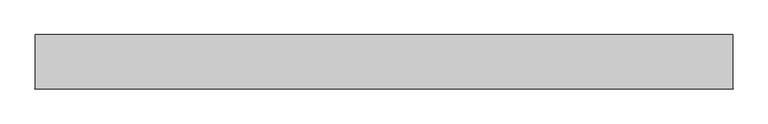
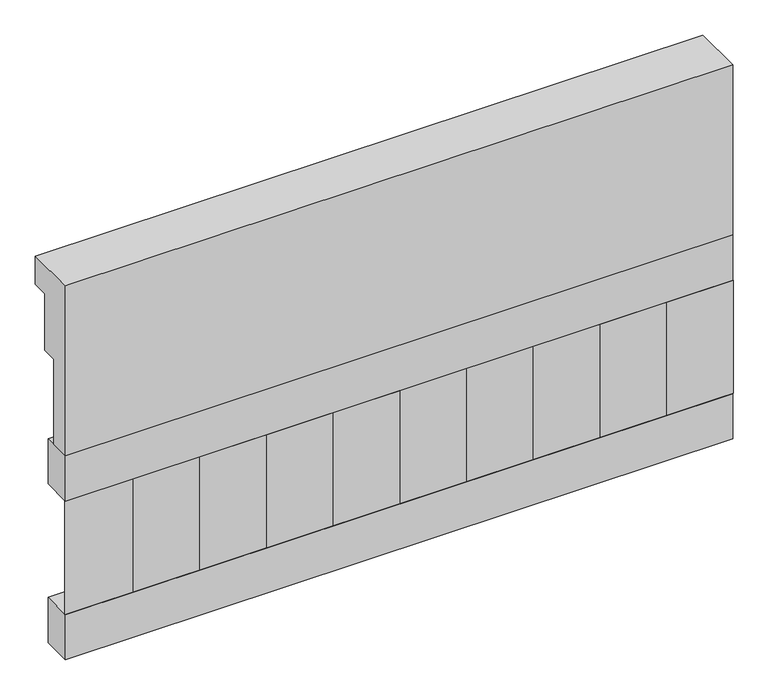
"""IFC4 building model written with IfcOpenShell, lengths in millimetres: railing geometry."""

from ifc_helpers import new_model, si_unit, frame, origin, place, context, project, spatial, polyline, outline, extrude, source, transform, mapped, element, save


def railing_92edbb9a(model_context):
    return source(origin(), model_context, "Body", "SweptSolid", [
        extrude(outline(polyline([(903.1079487, 15200.0), (1033.1079487, 15200.0), (1033.1079487, 15125.0), (993.1079487, 15125.0), (993.1079487, 14975.0), (953.1079487, 14975.0), (953.1079487, 14750.0), (903.1079487, 14750.0), (903.1079487, 15200.0)])), frame((-40039.9887159, 0.0, 0.0), z_axis=(1.0, 0.0, 0.0), x_axis=(0.0, 1.0, 0.0)), (0.0, 0.0, 1.0), 1670.0),
        extrude(outline(polyline([(-38369.9887159, 978.1079487), (-38369.9887159, 903.1079487), (-40039.9887159, 903.1079487), (-40039.9887159, 978.1079487), (-38369.9887159, 978.1079487)])), frame((0.0, 0.0, 14630.0), z_axis=(0.0, 0.0, 1.0), x_axis=(1.0, 0.0, 0.0)), (0.0, 0.0, 1.0), 120.0),
        extrude(outline(polyline([(-38369.9887159, 978.1079487), (-38369.9887159, 903.1079487), (-40039.9887159, 903.1079487), (-40039.9887159, 978.1079487), (-38369.9887159, 978.1079487)])), frame((0.0, 0.0, 14210.0), z_axis=(0.0, 0.0, 1.0), x_axis=(1.0, 0.0, 0.0)), (0.0, 0.0, 1.0), 120.0),
        extrude(outline(polyline([(-39956.4887159, 987.9607624), (-39871.6359022, 903.1079487), (-40041.3415296, 903.1079487), (-39956.4887159, 987.9607624)])), frame((0.0, 0.0, 14330.0), z_axis=(0.0, 0.0, 1.0), x_axis=(1.0, 0.0, 0.0)), (0.0, 0.0, 1.0), 300.0),
        extrude(outline(polyline([(-39789.4887159, 987.9607624), (-39704.6359022, 903.1079487), (-39874.3415296, 903.1079487), (-39789.4887159, 987.9607624)])), frame((0.0, 0.0, 14330.0), z_axis=(0.0, 0.0, 1.0), x_axis=(1.0, 0.0, 0.0)), (0.0, 0.0, 1.0), 300.0),
        extrude(outline(polyline([(-39622.4887159, 987.9607624), (-39537.6359022, 903.1079487), (-39707.3415296, 903.1079487), (-39622.4887159, 987.9607624)])), frame((0.0, 0.0, 14330.0), z_axis=(0.0, 0.0, 1.0), x_axis=(1.0, 0.0, 0.0)), (0.0, 0.0, 1.0), 300.0),
        extrude(outline(polyline([(-39455.4887159, 987.9607624), (-39370.6359022, 903.1079487), (-39540.3415296, 903.1079487), (-39455.4887159, 987.9607624)])), frame((0.0, 0.0, 14330.0), z_axis=(0.0, 0.0, 1.0), x_axis=(1.0, 0.0, 0.0)), (0.0, 0.0, 1.0), 300.0),
        extrude(outline(polyline([(-39288.4887159, 987.9607624), (-39203.6359022, 903.1079487), (-39373.3415296, 903.1079487), (-39288.4887159, 987.9607624)])), frame((0.0, 0.0, 14330.0), z_axis=(0.0, 0.0, 1.0), x_axis=(1.0, 0.0, 0.0)), (0.0, 0.0, 1.0), 300.0),
        extrude(outline(polyline([(-39121.4887159, 987.9607624), (-39036.6359022, 903.1079487), (-39206.3415296, 903.1079487), (-39121.4887159, 987.9607624)])), frame((0.0, 0.0, 14330.0), z_axis=(0.0, 0.0, 1.0), x_axis=(1.0, 0.0, 0.0)), (0.0, 0.0, 1.0), 300.0),
        extrude(outline(polyline([(-38954.4887159, 987.9607624), (-38869.6359022, 903.1079487), (-39039.3415296, 903.1079487), (-38954.4887159, 987.9607624)])), frame((0.0, 0.0, 14330.0), z_axis=(0.0, 0.0, 1.0), x_axis=(1.0, 0.0, 0.0)), (0.0, 0.0, 1.0), 300.0),
        extrude(outline(polyline([(-38787.4887159, 987.9607624), (-38702.6359022, 903.1079487), (-38872.3415296, 903.1079487), (-38787.4887159, 987.9607624)])), frame((0.0, 0.0, 14330.0), z_axis=(0.0, 0.0, 1.0), x_axis=(1.0, 0.0, 0.0)), (0.0, 0.0, 1.0), 300.0),
        extrude(outline(polyline([(-38620.4887159, 987.9607624), (-38535.6359022, 903.1079487), (-38705.3415296, 903.1079487), (-38620.4887159, 987.9607624)])), frame((0.0, 0.0, 14330.0), z_axis=(0.0, 0.0, 1.0), x_axis=(1.0, 0.0, 0.0)), (0.0, 0.0, 1.0), 300.0),
        extrude(outline(polyline([(-38453.4887159, 987.9607624), (-38368.6359022, 903.1079487), (-38538.3415296, 903.1079487), (-38453.4887159, 987.9607624)])), frame((0.0, 0.0, 14330.0), z_axis=(0.0, 0.0, 1.0), x_axis=(1.0, 0.0, 0.0)), (0.0, 0.0, 1.0), 300.0),
    ])


if __name__ == "__main__":
    model = new_model("IFC4")
    model_context = context("Model", 3, world=origin())
    ifc_project = project(units=[si_unit("LENGTHUNIT", "METRE", prefix="MILLI")], contexts=[model_context])
    site = spatial("IfcSite", under=ifc_project)
    building = spatial("IfcBuilding", under=site)
    placement = place(None, origin())
    railing_shape = railing_92edbb9a(model_context)
    element("IfcRailing", 1, at=placement, inside=building, context=model_context, shape_type="MappedRepresentation", body=[
        mapped(railing_shape, transform((0.0, 0.0, 0.0), x_axis=(1.0, 0.0, 0.0), y_axis=(0.0, 1.0, 0.0), z_axis=(0.0, 0.0, 1.0))),
    ])
    save(model, "model.ifc")
